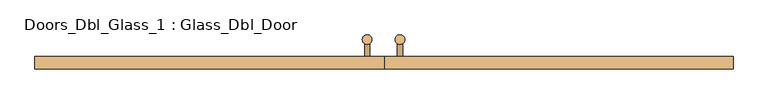
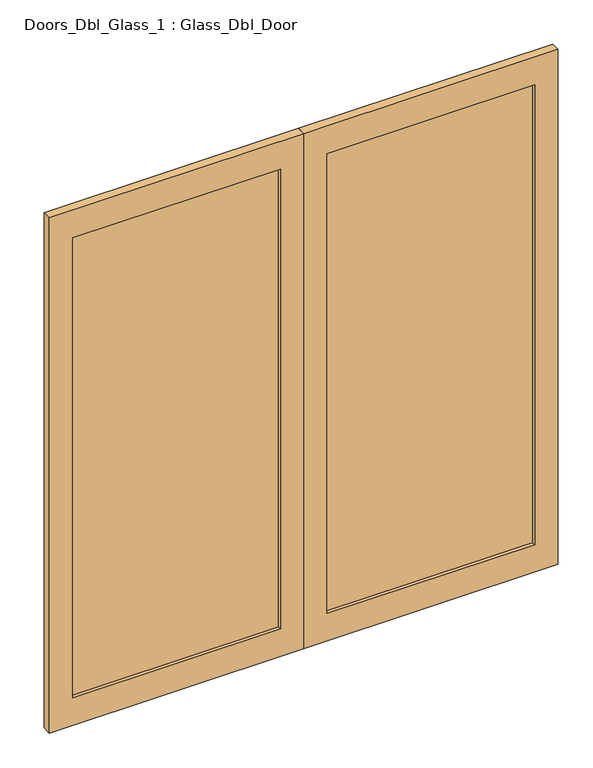
"""IFC4 building model written with IfcOpenShell, lengths in millimetres: door geometry, Doors_Dbl_Glass_1 : Glass_Dbl_Door."""

import ifcopenshell
import ifcopenshell.guid

model = None  # the IFC model being written
_history = None  # IfcOwnerHistory: only IFC2X3 demands one
_inside = {}  # id of a spatial element -> (the spatial element, [elements in it])
_under = {}  # id of a project, library or spatial element -> (it, [spatial elements below it])
_declared = {}  # id of a project -> (the project, [libraries it declares])
_typed = {}  # id of a type object -> (the type object, [elements of that type])
_made_of = {}  # id of a material, layer set ... -> (it, [elements and type objects made of it])


def new_model(schema):
    """Start an empty IFC model of exactly this schema.

    Asked for "IFC4X3", IfcOpenShell would pick the latest addendum, in which some entities
    have other attributes; the version numbers below select the first issue.
    IFC2X3 requires an IfcOwnerHistory on every rooted entity: one is made here for all.
    """
    global model, _history
    if schema == "IFC4X3":
        model = ifcopenshell.file(schema_version=(4, 3, 0, 0))
    else:
        model = ifcopenshell.file(schema=schema)
    _inside.clear()
    _under.clear()
    _declared.clear()
    _typed.clear()
    _made_of.clear()
    _history = None
    if model.schema == "IFC2X3":
        org = make("IfcOrganization", Name="unknown")
        user = make(
            "IfcPersonAndOrganization",
            ThePerson=make("IfcPerson", FamilyName="unknown"),
            TheOrganization=org,
        )
        app = make(
            "IfcApplication",
            ApplicationDeveloper=org,
            Version="unknown",
            ApplicationFullName="unknown",
            ApplicationIdentifier="unknown",
        )
        _history = make(
            "IfcOwnerHistory",
            OwningUser=user,
            OwningApplication=app,
            ChangeAction="ADDED",
            CreationDate=0,
        )
    return model


def make(cls, **values):
    """One entity of the class cls with the attributes given. An attribute that is None is left unset."""
    return model.create_entity(
        cls, **{name: value for name, value in values.items() if value is not None}
    )


def rooted(cls, **values):
    """An entity with a GlobalId (a new one), such as an element, a storey or a relation."""
    return make(cls, GlobalId=ifcopenshell.guid.new(), OwnerHistory=_history, **values)


def si_unit(unit_type, name, prefix=None):
    """IfcSIUnit, for example si_unit("LENGTHUNIT", "METRE", prefix="MILLI")."""
    return make("IfcSIUnit", UnitType=unit_type, Prefix=prefix, Name=name)


def assignment(units):
    """IfcUnitAssignment: the units of a project."""
    return None if units is None else make("IfcUnitAssignment", Units=units)


def point(xyz):
    """IfcCartesianPoint."""
    return None if xyz is None else make("IfcCartesianPoint", Coordinates=xyz)


def direction(xyz):
    """IfcDirection."""
    return None if xyz is None else make("IfcDirection", DirectionRatios=xyz)


def frame(location, z_axis=None, x_axis=None):
    """IfcAxis2Placement3D, a coordinate frame: its origin and axes. An axis left out is left unset."""
    return make(
        "IfcAxis2Placement3D",
        Location=point(location),
        Axis=direction(z_axis),
        RefDirection=direction(x_axis),
    )


def frame_2d(location, x_axis=None):
    """IfcAxis2Placement2D, a coordinate frame in the plane: its origin and x axis."""
    return make(
        "IfcAxis2Placement2D", Location=point(location), RefDirection=direction(x_axis)
    )


def origin():
    """The frame at (0, 0, 0) with its axes left unset."""
    return frame((0.0, 0.0, 0.0))


def place(relative_to, where):
    """IfcLocalPlacement: puts the frame where relative to a parent placement (None: the world)."""
    return make(
        "IfcLocalPlacement", PlacementRelTo=relative_to, RelativePlacement=where
    )


def context(
    kind, dimensions, precision=None, world=None, true_north=None, identifier=None
):
    """IfcGeometricRepresentationContext, for example the 3D "Model" context."""
    return make(
        "IfcGeometricRepresentationContext",
        ContextIdentifier=identifier,
        ContextType=kind,
        CoordinateSpaceDimension=dimensions,
        Precision=precision,
        WorldCoordinateSystem=world,
        TrueNorth=true_north,
    )


def project(units=None, contexts=None):
    """IfcProject with its units and contexts."""
    return rooted(
        "IfcProject",
        Name="project",
        RepresentationContexts=contexts,
        UnitsInContext=assignment(units),
    )


def spatial(cls, under=None, at=None, **own):
    """A site, building, storey or space (cls), placed at a placement, below another one or the project."""
    s = rooted(cls, ObjectPlacement=at, **own)
    if under is not None:
        _under.setdefault(under.id(), (under, []))[1].append(s)
    return s


def polyline(points):
    """IfcPolyline through the points."""
    return make("IfcPolyline", Points=[point(p) for p in points])


def circle_curve(where, radius):
    """IfcCircle in the frame where."""
    return make("IfcCircle", Position=where, Radius=radius)


def trimmed(basis, trim1, trim2, sense, master):
    """IfcTrimmedCurve: the piece of a basis curve between two trims."""
    return make(
        "IfcTrimmedCurve",
        BasisCurve=basis,
        Trim1=trim1,
        Trim2=trim2,
        SenseAgreement=sense,
        MasterRepresentation=master,
    )


def segment(curve, same_sense, transition):
    """IfcCompositeCurveSegment."""
    return make(
        "IfcCompositeCurveSegment",
        Transition=transition,
        SameSense=same_sense,
        ParentCurve=curve,
    )


def composite_curve(segments, self_intersect=None):
    """IfcCompositeCurve: segments joined end to end."""
    return make("IfcCompositeCurve", Segments=segments, SelfIntersect=self_intersect)


def outline(outer, holes=None, kind="AREA"):
    """IfcArbitraryClosedProfileDef: a profile drawn as a closed curve; with holes, ...WithVoids."""
    if holes is None:
        return make("IfcArbitraryClosedProfileDef", ProfileType=kind, OuterCurve=outer)
    return make(
        "IfcArbitraryProfileDefWithVoids",
        ProfileType=kind,
        OuterCurve=outer,
        InnerCurves=holes,
    )


def extrude(swept, where, along, depth):
    """IfcExtrudedAreaSolid: the profile swept, set in the frame where, extruded along a direction by depth."""
    return make(
        "IfcExtrudedAreaSolid",
        SweptArea=swept,
        Position=where,
        ExtrudedDirection=direction(along),
        Depth=depth,
    )


def shape(context_of_items, identifier, shape_type, items):
    """IfcShapeRepresentation: the items that make up one representation, for example the "Body"."""
    return make(
        "IfcShapeRepresentation",
        ContextOfItems=context_of_items,
        RepresentationIdentifier=identifier,
        RepresentationType=shape_type,
        Items=items,
    )


def source(mapping_origin, context_of_items, identifier, shape_type, items):
    """IfcRepresentationMap: a shape defined once, which mapped items show again and again."""
    return make(
        "IfcRepresentationMap",
        MappingOrigin=mapping_origin,
        MappedRepresentation=shape(context_of_items, identifier, shape_type, items),
    )


def transform(
    local_origin,
    x_axis=None,
    y_axis=None,
    z_axis=None,
    scale=None,
    scale2=None,
    scale3=None,
    uniform=True,
):
    """IfcCartesianTransformationOperator3D, or its non-uniform kind. x_axis, y_axis, z_axis: its Axis1, 2, 3."""
    if uniform:
        return make(
            "IfcCartesianTransformationOperator3D",
            Axis1=direction(x_axis),
            Axis2=direction(y_axis),
            LocalOrigin=point(local_origin),
            Scale=scale,
            Axis3=direction(z_axis),
        )
    return make(
        "IfcCartesianTransformationOperator3DnonUniform",
        Axis1=direction(x_axis),
        Axis2=direction(y_axis),
        LocalOrigin=point(local_origin),
        Scale=scale,
        Axis3=direction(z_axis),
        Scale2=scale2,
        Scale3=scale3,
    )


def mapped(mapping_source, mapping_target):
    """IfcMappedItem: shows the shape of a source again, moved by a transform."""
    return make(
        "IfcMappedItem", MappingSource=mapping_source, MappingTarget=mapping_target
    )


def made_of(thing, what):
    """Note that an element or type object is made of a material, layer set ...; save() writes the relation."""
    if what is not None:
        _made_of.setdefault(what.id(), (what, []))[1].append(thing)
    return thing


def element(
    cls,
    number,
    at=None,
    inside=None,
    cuts=None,
    type_object=None,
    material=None,
    context=None,
    identifier="Body",
    shape_type=None,
    held_by="IfcProductDefinitionShape",
    body=None,
    shapes=None,
    **own,
):
    """One element of the class cls, such as IfcWall. Its Tag is "e" and its number.

    at: its placement. inside: the storey or other place that contains it. cuts: it is an
    opening in that element (IfcRelVoidsElement). A single representation is given by context,
    identifier, shape_type and body (its items); several are given by shapes. held_by: the class
    of the entity that holds the representations. save() writes the other relations.
    """
    e = rooted(cls, Tag="e%d" % number, ObjectPlacement=at, **own)
    if body is not None:
        shapes = [shape(context, identifier, shape_type, body)]
    if shapes is not None:
        e.Representation = make(held_by, Representations=shapes)
    if inside is not None:
        _inside.setdefault(inside.id(), (inside, []))[1].append(e)
    if cuts is not None:
        rooted(
            "IfcRelVoidsElement", RelatingBuildingElement=cuts, RelatedOpeningElement=e
        )
    if type_object is not None:
        _typed.setdefault(type_object.id(), (type_object, []))[1].append(e)
    return made_of(e, material)


def aggregate(whole, parts):
    """IfcRelAggregates: a whole, such as a stair, and the parts it consists of."""
    return rooted("IfcRelAggregates", RelatingObject=whole, RelatedObjects=parts)


def save(model, path):
    """Write the relations noted so far, then the file.

    IfcRelAggregates (storeys below a building ...), IfcRelContainedInSpatialStructure (elements
    in a storey), IfcRelDefinesByType, IfcRelAssociatesMaterial and IfcRelDeclares: one each for
    every whole, place, type object, material and project.
    """
    for whole, parts in _under.values():
        aggregate(whole, parts)
    for where, things in _inside.values():
        rooted(
            "IfcRelContainedInSpatialStructure",
            RelatedElements=things,
            RelatingStructure=where,
        )
    for kind, things in _typed.values():
        rooted("IfcRelDefinesByType", RelatedObjects=things, RelatingType=kind)
    for what, things in _made_of.values():
        rooted("IfcRelAssociatesMaterial", RelatedObjects=things, RelatingMaterial=what)
    for by, libraries in _declared.values():
        rooted("IfcRelDeclares", RelatingContext=by, RelatedDefinitions=libraries)
    model.write(path)


def doors_dbl_glass_1_glass_dbl_door_44f3011d(model_context):
    return source(origin(), model_context, "Body", "SweptSolid", [
        extrude(outline(composite_curve([segment(trimmed(circle_curve(frame_2d((49.6069979, 116.0715804)), 15.0), [point((49.6069979, 101.0715804))], [point((49.6069979, 131.0715804))], False, "CARTESIAN"), True, "CONTINUOUS"), segment(trimmed(circle_curve(frame_2d((49.6069979, 116.0715804)), 15.0), [point((49.6069979, 131.0715804))], [point((49.6069979, 101.0715804))], False, "CARTESIAN"), True, "CONTINUOUS")], self_intersect=False)), frame((0.0, 0.0, 650.0), z_axis=(0.0, 0.0, 1.0), x_axis=(1.0, 0.0, 0.0)), (0.0, 0.0, 1.0), 900.0),
        extrude(outline(composite_curve([segment(trimmed(circle_curve(frame_2d((-52.537897, 116.0715804)), 15.0), [point((-52.537897, 101.0715804))], [point((-52.537897, 131.0715804))], False, "CARTESIAN"), True, "CONTINUOUS"), segment(trimmed(circle_curve(frame_2d((-52.537897, 116.0715804)), 15.0), [point((-52.537897, 131.0715804))], [point((-52.537897, 101.0715804))], False, "CARTESIAN"), True, "CONTINUOUS")], self_intersect=False)), frame((0.0, 0.0, 650.0), z_axis=(0.0, 0.0, 1.0), x_axis=(1.0, 0.0, 0.0)), (0.0, 0.0, 1.0), 900.0),
        extrude(outline(composite_curve([segment(trimmed(circle_curve(frame_2d((750.0, 49.6069979)), 8.0), [point((750.0, 57.6069979))], [point((750.0, 41.6069979))], False, "CARTESIAN"), True, "CONTINUOUS"), segment(trimmed(circle_curve(frame_2d((750.0, 49.6069979)), 8.0), [point((750.0, 41.6069979))], [point((750.0, 57.6069979))], False, "CARTESIAN"), True, "CONTINUOUS")], self_intersect=False)), frame((0.0, 62.5788556, 0.0), z_axis=(0.0, 1.0, 0.0), x_axis=(0.0, 0.0, 1.0)), (0.0, 0.0, 1.0), 53.4927248),
        extrude(outline(composite_curve([segment(trimmed(circle_curve(frame_2d((750.0, -52.537897)), 8.0), [point((750.0, -44.537897))], [point((750.0, -60.537897))], False, "CARTESIAN"), True, "CONTINUOUS"), segment(trimmed(circle_curve(frame_2d((750.0, -52.537897)), 8.0), [point((750.0, -60.537897))], [point((750.0, -44.537897))], False, "CARTESIAN"), True, "CONTINUOUS")], self_intersect=False)), frame((0.0, 62.5788556, 0.0), z_axis=(0.0, 1.0, 0.0), x_axis=(0.0, 0.0, 1.0)), (0.0, 0.0, 1.0), 53.4927248),
        extrude(outline(composite_curve([segment(trimmed(circle_curve(frame_2d((1450.0, 49.6069979)), 8.0), [point((1450.0, 57.6069979))], [point((1450.0, 41.6069979))], False, "CARTESIAN"), True, "CONTINUOUS"), segment(trimmed(circle_curve(frame_2d((1450.0, 49.6069979)), 8.0), [point((1450.0, 41.6069979))], [point((1450.0, 57.6069979))], False, "CARTESIAN"), True, "CONTINUOUS")], self_intersect=False)), frame((0.0, 62.5788556, 0.0), z_axis=(0.0, 1.0, 0.0), x_axis=(0.0, 0.0, 1.0)), (0.0, 0.0, 1.0), 53.4927248),
        extrude(outline(composite_curve([segment(trimmed(circle_curve(frame_2d((1450.0, -52.537897)), 8.0), [point((1450.0, -44.537897))], [point((1450.0, -60.537897))], False, "CARTESIAN"), True, "CONTINUOUS"), segment(trimmed(circle_curve(frame_2d((1450.0, -52.537897)), 8.0), [point((1450.0, -60.537897))], [point((1450.0, -44.537897))], False, "CARTESIAN"), True, "CONTINUOUS")], self_intersect=False)), frame((0.0, 62.5788556, 0.0), z_axis=(0.0, 1.0, 0.0), x_axis=(0.0, 0.0, 1.0)), (0.0, 0.0, 1.0), 53.4927248),
        extrude(outline(polyline([(2325.0, -1086.5789474), (0.0, -1086.5789474), (0.0, 0.0), (2325.0, 0.0), (2325.0, -1086.5789474)]), holes=[polyline([(2200.0, -986.5789474), (2200.0, -100.0), (125.0, -100.0), (125.0, -986.5789474), (2200.0, -986.5789474)])]), frame((0.0, 24.035259, 0.0), z_axis=(0.0, 1.0, 0.0), x_axis=(0.0, 0.0, 1.0)), (0.0, 0.0, 1.0), 38.5435966),
        extrude(outline(polyline([(2325.0, 0.0), (0.0, 0.0), (0.0, 1086.5789474), (2325.0, 1086.5789474), (2325.0, 0.0)]), holes=[polyline([(2200.0, 100.0), (2200.0, 986.5789474), (125.0, 986.5789474), (125.0, 100.0), (2200.0, 100.0)])]), frame((0.0, 24.035259, 0.0), z_axis=(0.0, 1.0, 0.0), x_axis=(0.0, 0.0, 1.0)), (0.0, 0.0, 1.0), 38.5435966),
        extrude(outline(polyline([(-100.0, 38.0), (-986.5789474, 38.0), (-986.5789474, 50.0), (-100.0, 50.0), (-100.0, 38.0)])), frame((0.0, 0.0, 125.0), z_axis=(0.0, 0.0, 1.0), x_axis=(1.0, 0.0, 0.0)), (0.0, 0.0, 1.0), 2075.0),
        extrude(outline(polyline([(986.5789474, 38.0), (100.0, 38.0), (100.0, 50.0), (986.5789474, 50.0), (986.5789474, 38.0)])), frame((0.0, 0.0, 125.0), z_axis=(0.0, 0.0, 1.0), x_axis=(1.0, 0.0, 0.0)), (0.0, 0.0, 1.0), 2075.0),
    ])


if __name__ == "__main__":
    model = new_model("IFC4")
    model_context = context("Model", 3, world=origin())
    ifc_project = project(units=[si_unit("LENGTHUNIT", "METRE", prefix="MILLI")], contexts=[model_context])
    site = spatial("IfcSite", under=ifc_project)
    building = spatial("IfcBuilding", under=site)
    placement = place(None, origin())
    doors_dbl_glass_1_glass_dbl_door_shape = doors_dbl_glass_1_glass_dbl_door_44f3011d(model_context)
    element("IfcDoor", 1, ObjectType="Doors_Dbl_Glass_1 : Glass_Dbl_Door", at=placement, inside=building, context=model_context, shape_type="MappedRepresentation", body=[
        mapped(doors_dbl_glass_1_glass_dbl_door_shape, transform((0.0, 0.0, 0.0), x_axis=(1.0, 0.0, 0.0), y_axis=(0.0, 1.0, 0.0), z_axis=(0.0, 0.0, 1.0))),
    ])
    save(model, "model.ifc")
